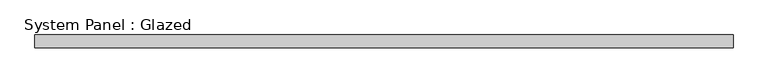
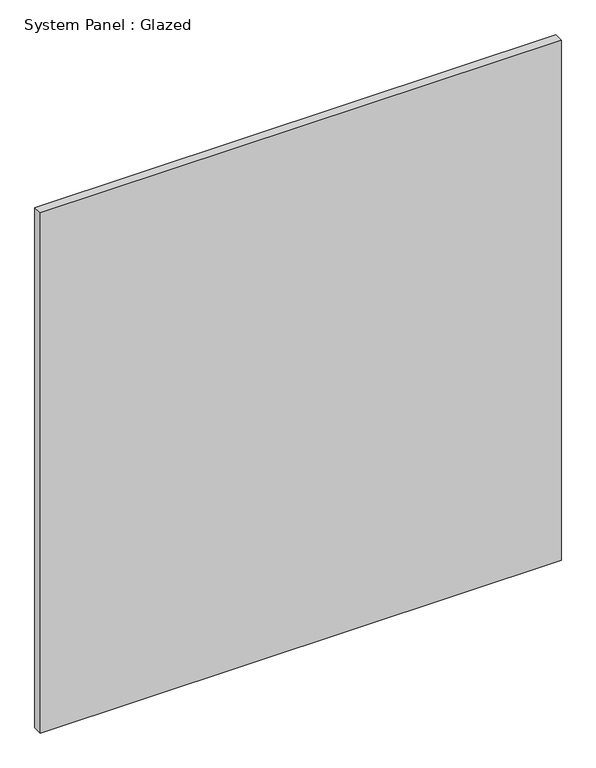
"""IFC4 building model written with IfcOpenShell, lengths in millimetres: plate geometry, System Panel : Glazed."""

import ifcopenshell
import ifcopenshell.guid

model = None  # the IFC model being written
_history = None  # IfcOwnerHistory: only IFC2X3 demands one
_inside = {}  # id of a spatial element -> (the spatial element, [elements in it])
_under = {}  # id of a project, library or spatial element -> (it, [spatial elements below it])
_declared = {}  # id of a project -> (the project, [libraries it declares])
_typed = {}  # id of a type object -> (the type object, [elements of that type])
_made_of = {}  # id of a material, layer set ... -> (it, [elements and type objects made of it])


def new_model(schema):
    """Start an empty IFC model of exactly this schema.

    Asked for "IFC4X3", IfcOpenShell would pick the latest addendum, in which some entities
    have other attributes; the version numbers below select the first issue.
    IFC2X3 requires an IfcOwnerHistory on every rooted entity: one is made here for all.
    """
    global model, _history
    if schema == "IFC4X3":
        model = ifcopenshell.file(schema_version=(4, 3, 0, 0))
    else:
        model = ifcopenshell.file(schema=schema)
    _inside.clear()
    _under.clear()
    _declared.clear()
    _typed.clear()
    _made_of.clear()
    _history = None
    if model.schema == "IFC2X3":
        org = make("IfcOrganization", Name="unknown")
        user = make(
            "IfcPersonAndOrganization",
            ThePerson=make("IfcPerson", FamilyName="unknown"),
            TheOrganization=org,
        )
        app = make(
            "IfcApplication",
            ApplicationDeveloper=org,
            Version="unknown",
            ApplicationFullName="unknown",
            ApplicationIdentifier="unknown",
        )
        _history = make(
            "IfcOwnerHistory",
            OwningUser=user,
            OwningApplication=app,
            ChangeAction="ADDED",
            CreationDate=0,
        )
    return model


def make(cls, **values):
    """One entity of the class cls with the attributes given. An attribute that is None is left unset."""
    return model.create_entity(
        cls, **{name: value for name, value in values.items() if value is not None}
    )


def rooted(cls, **values):
    """An entity with a GlobalId (a new one), such as an element, a storey or a relation."""
    return make(cls, GlobalId=ifcopenshell.guid.new(), OwnerHistory=_history, **values)


def si_unit(unit_type, name, prefix=None):
    """IfcSIUnit, for example si_unit("LENGTHUNIT", "METRE", prefix="MILLI")."""
    return make("IfcSIUnit", UnitType=unit_type, Prefix=prefix, Name=name)


def assignment(units):
    """IfcUnitAssignment: the units of a project."""
    return None if units is None else make("IfcUnitAssignment", Units=units)


def point(xyz):
    """IfcCartesianPoint."""
    return None if xyz is None else make("IfcCartesianPoint", Coordinates=xyz)


def direction(xyz):
    """IfcDirection."""
    return None if xyz is None else make("IfcDirection", DirectionRatios=xyz)


def frame(location, z_axis=None, x_axis=None):
    """IfcAxis2Placement3D, a coordinate frame: its origin and axes. An axis left out is left unset."""
    return make(
        "IfcAxis2Placement3D",
        Location=point(location),
        Axis=direction(z_axis),
        RefDirection=direction(x_axis),
    )


def origin():
    """The frame at (0, 0, 0) with its axes left unset."""
    return frame((0.0, 0.0, 0.0))


def origin_with_axes():
    """The frame at (0, 0, 0) with the z axis (0, 0, 1) and the x axis (1, 0, 0) written out."""
    return frame((0.0, 0.0, 0.0), z_axis=(0.0, 0.0, 1.0), x_axis=(1.0, 0.0, 0.0))


def place(relative_to, where):
    """IfcLocalPlacement: puts the frame where relative to a parent placement (None: the world)."""
    return make(
        "IfcLocalPlacement", PlacementRelTo=relative_to, RelativePlacement=where
    )


def context(
    kind, dimensions, precision=None, world=None, true_north=None, identifier=None
):
    """IfcGeometricRepresentationContext, for example the 3D "Model" context."""
    return make(
        "IfcGeometricRepresentationContext",
        ContextIdentifier=identifier,
        ContextType=kind,
        CoordinateSpaceDimension=dimensions,
        Precision=precision,
        WorldCoordinateSystem=world,
        TrueNorth=true_north,
    )


def project(units=None, contexts=None):
    """IfcProject with its units and contexts."""
    return rooted(
        "IfcProject",
        Name="project",
        RepresentationContexts=contexts,
        UnitsInContext=assignment(units),
    )


def spatial(cls, under=None, at=None, **own):
    """A site, building, storey or space (cls), placed at a placement, below another one or the project."""
    s = rooted(cls, ObjectPlacement=at, **own)
    if under is not None:
        _under.setdefault(under.id(), (under, []))[1].append(s)
    return s


def polyline(points):
    """IfcPolyline through the points."""
    return make("IfcPolyline", Points=[point(p) for p in points])


def outline(outer, holes=None, kind="AREA"):
    """IfcArbitraryClosedProfileDef: a profile drawn as a closed curve; with holes, ...WithVoids."""
    if holes is None:
        return make("IfcArbitraryClosedProfileDef", ProfileType=kind, OuterCurve=outer)
    return make(
        "IfcArbitraryProfileDefWithVoids",
        ProfileType=kind,
        OuterCurve=outer,
        InnerCurves=holes,
    )


def extrude(swept, where, along, depth):
    """IfcExtrudedAreaSolid: the profile swept, set in the frame where, extruded along a direction by depth."""
    return make(
        "IfcExtrudedAreaSolid",
        SweptArea=swept,
        Position=where,
        ExtrudedDirection=direction(along),
        Depth=depth,
    )


def shape(context_of_items, identifier, shape_type, items):
    """IfcShapeRepresentation: the items that make up one representation, for example the "Body"."""
    return make(
        "IfcShapeRepresentation",
        ContextOfItems=context_of_items,
        RepresentationIdentifier=identifier,
        RepresentationType=shape_type,
        Items=items,
    )


def source(mapping_origin, context_of_items, identifier, shape_type, items):
    """IfcRepresentationMap: a shape defined once, which mapped items show again and again."""
    return make(
        "IfcRepresentationMap",
        MappingOrigin=mapping_origin,
        MappedRepresentation=shape(context_of_items, identifier, shape_type, items),
    )


def transform(
    local_origin,
    x_axis=None,
    y_axis=None,
    z_axis=None,
    scale=None,
    scale2=None,
    scale3=None,
    uniform=True,
):
    """IfcCartesianTransformationOperator3D, or its non-uniform kind. x_axis, y_axis, z_axis: its Axis1, 2, 3."""
    if uniform:
        return make(
            "IfcCartesianTransformationOperator3D",
            Axis1=direction(x_axis),
            Axis2=direction(y_axis),
            LocalOrigin=point(local_origin),
            Scale=scale,
            Axis3=direction(z_axis),
        )
    return make(
        "IfcCartesianTransformationOperator3DnonUniform",
        Axis1=direction(x_axis),
        Axis2=direction(y_axis),
        LocalOrigin=point(local_origin),
        Scale=scale,
        Axis3=direction(z_axis),
        Scale2=scale2,
        Scale3=scale3,
    )


def mapped(mapping_source, mapping_target):
    """IfcMappedItem: shows the shape of a source again, moved by a transform."""
    return make(
        "IfcMappedItem", MappingSource=mapping_source, MappingTarget=mapping_target
    )


def made_of(thing, what):
    """Note that an element or type object is made of a material, layer set ...; save() writes the relation."""
    if what is not None:
        _made_of.setdefault(what.id(), (what, []))[1].append(thing)
    return thing


def element(
    cls,
    number,
    at=None,
    inside=None,
    cuts=None,
    type_object=None,
    material=None,
    context=None,
    identifier="Body",
    shape_type=None,
    held_by="IfcProductDefinitionShape",
    body=None,
    shapes=None,
    **own,
):
    """One element of the class cls, such as IfcWall. Its Tag is "e" and its number.

    at: its placement. inside: the storey or other place that contains it. cuts: it is an
    opening in that element (IfcRelVoidsElement). A single representation is given by context,
    identifier, shape_type and body (its items); several are given by shapes. held_by: the class
    of the entity that holds the representations. save() writes the other relations.
    """
    e = rooted(cls, Tag="e%d" % number, ObjectPlacement=at, **own)
    if body is not None:
        shapes = [shape(context, identifier, shape_type, body)]
    if shapes is not None:
        e.Representation = make(held_by, Representations=shapes)
    if inside is not None:
        _inside.setdefault(inside.id(), (inside, []))[1].append(e)
    if cuts is not None:
        rooted(
            "IfcRelVoidsElement", RelatingBuildingElement=cuts, RelatedOpeningElement=e
        )
    if type_object is not None:
        _typed.setdefault(type_object.id(), (type_object, []))[1].append(e)
    return made_of(e, material)


def aggregate(whole, parts):
    """IfcRelAggregates: a whole, such as a stair, and the parts it consists of."""
    return rooted("IfcRelAggregates", RelatingObject=whole, RelatedObjects=parts)


def save(model, path):
    """Write the relations noted so far, then the file.

    IfcRelAggregates (storeys below a building ...), IfcRelContainedInSpatialStructure (elements
    in a storey), IfcRelDefinesByType, IfcRelAssociatesMaterial and IfcRelDeclares: one each for
    every whole, place, type object, material and project.
    """
    for whole, parts in _under.values():
        aggregate(whole, parts)
    for where, things in _inside.values():
        rooted(
            "IfcRelContainedInSpatialStructure",
            RelatedElements=things,
            RelatingStructure=where,
        )
    for kind, things in _typed.values():
        rooted("IfcRelDefinesByType", RelatedObjects=things, RelatingType=kind)
    for what, things in _made_of.values():
        rooted("IfcRelAssociatesMaterial", RelatedObjects=things, RelatingMaterial=what)
    for by, libraries in _declared.values():
        rooted("IfcRelDeclares", RelatingContext=by, RelatedDefinitions=libraries)
    model.write(path)


def system_panel_glazed_0f13dd0e(model_context):
    return source(origin(), model_context, "Body", "SweptSolid", [
        extrude(outline(polyline([(700.913, -12.7), (-700.913, -12.7), (-700.913, 12.7), (700.913, 12.7), (700.913, -12.7)])), origin_with_axes(), (0.0, 0.0, 1.0), 1479.05),
    ])


if __name__ == "__main__":
    model = new_model("IFC4")
    model_context = context("Model", 3, world=origin())
    ifc_project = project(units=[si_unit("LENGTHUNIT", "METRE", prefix="MILLI")], contexts=[model_context])
    site = spatial("IfcSite", under=ifc_project)
    building = spatial("IfcBuilding", under=site)
    placement = place(None, origin())
    system_panel_glazed_shape = system_panel_glazed_0f13dd0e(model_context)
    element("IfcPlate", 1, ObjectType="System Panel : Glazed", at=placement, inside=building, context=model_context, shape_type="MappedRepresentation", body=[
        mapped(system_panel_glazed_shape, transform((0.0, 0.0, 0.0), x_axis=(1.0, 0.0, 0.0), y_axis=(0.0, 1.0, 0.0), z_axis=(0.0, 0.0, 1.0))),
    ])
    save(model, "model.ifc")
